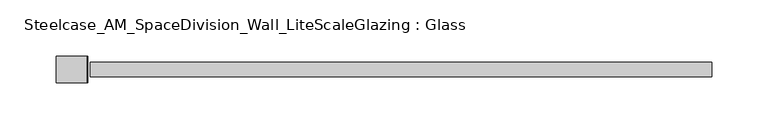
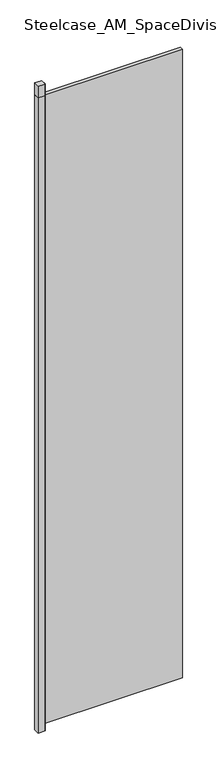
"""IFC4 building model written with IfcOpenShell, lengths in millimetres: plate geometry, Steelcase_AM_SpaceDivision_Wall_LiteScaleGlazing : Glass."""

from ifc_helpers import new_model, si_unit, frame, origin, origin_with_axes, place, context, project, spatial, polyline, outline, extrude, source, transform, mapped, element, save


def steelcase_am_spacedivision_wall_litescaleglazing_glass_8f34ca59(model_context):
    return source(origin(), model_context, "Body", "SweptSolid", [
        extrude(outline(polyline([(-278.891761, 11.7474777), (-278.891761, -11.7475002), (-305.8792277, -11.7475002), (-305.8792277, 11.7474777), (-278.891761, 11.7474777)])), frame((0.0, 0.0, 2665.984), z_axis=(0.0, 0.0, 1.0), x_axis=(1.0, 0.0, 0.0)), (0.0, 0.0, 1.0), 49.276),
        extrude(outline(polyline([(-305.8792277, 11.7474777), (-278.891761, 11.7474777), (-278.891761, 6.3500051), (-301.3870028, 6.3500051), (-301.3870028, -6.3896792), (-278.891761, -6.3896792), (-278.891761, -11.7475002), (-305.8792277, -11.7475002), (-305.8792277, 11.7474777)])), frame((0.0, 0.0, -27.8638004), z_axis=(0.0, 0.0, 1.0), x_axis=(1.0, 0.0, 0.0)), (0.0, 0.0, 1.0), 2693.8478004),
        extrude(outline(polyline([(-278.891761, 11.7474777), (-277.863032, 11.7474777), (-277.863032, -11.7474954), (-278.891761, -11.7474954), (-278.891761, 11.7474777)])), frame((0.0, 0.0, -27.8638004), z_axis=(0.0, 0.0, 1.0), x_axis=(1.0, 0.0, 0.0)), (0.0, 0.0, 1.0), 2743.1238004),
        extrude(outline(polyline([(-275.831032, -6.349956), (-275.831032, 6.3502015), (275.831032, 6.3502015), (275.831032, -6.349956), (-275.831032, -6.349956)])), origin_with_axes(), (0.0, 0.0, 1.0), 2665.984),
    ])


if __name__ == "__main__":
    model = new_model("IFC4")
    model_context = context("Model", 3, world=origin())
    ifc_project = project(units=[si_unit("LENGTHUNIT", "METRE", prefix="MILLI")], contexts=[model_context])
    site = spatial("IfcSite", under=ifc_project)
    building = spatial("IfcBuilding", under=site)
    placement = place(None, origin())
    steelcase_am_spacedivision_wall_litescaleglazing_glass_shape = steelcase_am_spacedivision_wall_litescaleglazing_glass_8f34ca59(model_context)
    element("IfcPlate", 1, ObjectType="Steelcase_AM_SpaceDivision_Wall_LiteScaleGlazing : Glass", at=placement, inside=building, context=model_context, shape_type="MappedRepresentation", body=[
        mapped(steelcase_am_spacedivision_wall_litescaleglazing_glass_shape, transform((0.0, 0.0, 0.0), x_axis=(1.0, 0.0, 0.0), y_axis=(0.0, 1.0, 0.0), z_axis=(0.0, 0.0, 1.0))),
    ])
    save(model, "model.ifc")
